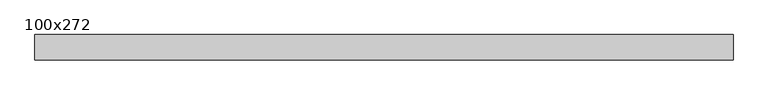
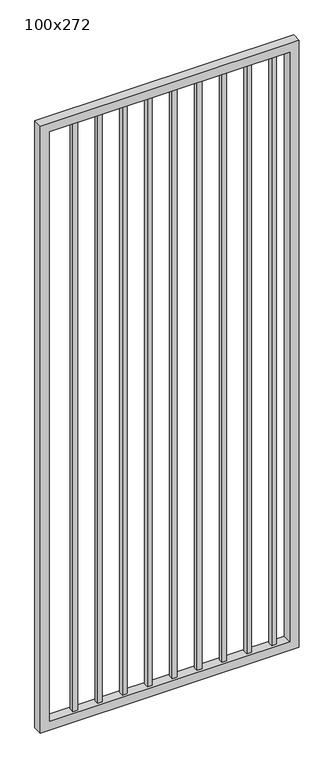
"""IFC4 building model written with IfcOpenShell, lengths in millimetres: proxy geometry, 100x272."""

import ifcopenshell
import ifcopenshell.guid

model = None  # the IFC model being written
_history = None  # IfcOwnerHistory: only IFC2X3 demands one
_inside = {}  # id of a spatial element -> (the spatial element, [elements in it])
_under = {}  # id of a project, library or spatial element -> (it, [spatial elements below it])
_declared = {}  # id of a project -> (the project, [libraries it declares])
_typed = {}  # id of a type object -> (the type object, [elements of that type])
_made_of = {}  # id of a material, layer set ... -> (it, [elements and type objects made of it])


def new_model(schema):
    """Start an empty IFC model of exactly this schema.

    Asked for "IFC4X3", IfcOpenShell would pick the latest addendum, in which some entities
    have other attributes; the version numbers below select the first issue.
    IFC2X3 requires an IfcOwnerHistory on every rooted entity: one is made here for all.
    """
    global model, _history
    if schema == "IFC4X3":
        model = ifcopenshell.file(schema_version=(4, 3, 0, 0))
    else:
        model = ifcopenshell.file(schema=schema)
    _inside.clear()
    _under.clear()
    _declared.clear()
    _typed.clear()
    _made_of.clear()
    _history = None
    if model.schema == "IFC2X3":
        org = make("IfcOrganization", Name="unknown")
        user = make(
            "IfcPersonAndOrganization",
            ThePerson=make("IfcPerson", FamilyName="unknown"),
            TheOrganization=org,
        )
        app = make(
            "IfcApplication",
            ApplicationDeveloper=org,
            Version="unknown",
            ApplicationFullName="unknown",
            ApplicationIdentifier="unknown",
        )
        _history = make(
            "IfcOwnerHistory",
            OwningUser=user,
            OwningApplication=app,
            ChangeAction="ADDED",
            CreationDate=0,
        )
    return model


def make(cls, **values):
    """One entity of the class cls with the attributes given. An attribute that is None is left unset."""
    return model.create_entity(
        cls, **{name: value for name, value in values.items() if value is not None}
    )


def rooted(cls, **values):
    """An entity with a GlobalId (a new one), such as an element, a storey or a relation."""
    return make(cls, GlobalId=ifcopenshell.guid.new(), OwnerHistory=_history, **values)


def si_unit(unit_type, name, prefix=None):
    """IfcSIUnit, for example si_unit("LENGTHUNIT", "METRE", prefix="MILLI")."""
    return make("IfcSIUnit", UnitType=unit_type, Prefix=prefix, Name=name)


def assignment(units):
    """IfcUnitAssignment: the units of a project."""
    return None if units is None else make("IfcUnitAssignment", Units=units)


def point(xyz):
    """IfcCartesianPoint."""
    return None if xyz is None else make("IfcCartesianPoint", Coordinates=xyz)


def direction(xyz):
    """IfcDirection."""
    return None if xyz is None else make("IfcDirection", DirectionRatios=xyz)


def frame(location, z_axis=None, x_axis=None):
    """IfcAxis2Placement3D, a coordinate frame: its origin and axes. An axis left out is left unset."""
    return make(
        "IfcAxis2Placement3D",
        Location=point(location),
        Axis=direction(z_axis),
        RefDirection=direction(x_axis),
    )


def origin():
    """The frame at (0, 0, 0) with its axes left unset."""
    return frame((0.0, 0.0, 0.0))


def place(relative_to, where):
    """IfcLocalPlacement: puts the frame where relative to a parent placement (None: the world)."""
    return make(
        "IfcLocalPlacement", PlacementRelTo=relative_to, RelativePlacement=where
    )


def context(
    kind, dimensions, precision=None, world=None, true_north=None, identifier=None
):
    """IfcGeometricRepresentationContext, for example the 3D "Model" context."""
    return make(
        "IfcGeometricRepresentationContext",
        ContextIdentifier=identifier,
        ContextType=kind,
        CoordinateSpaceDimension=dimensions,
        Precision=precision,
        WorldCoordinateSystem=world,
        TrueNorth=true_north,
    )


def project(units=None, contexts=None):
    """IfcProject with its units and contexts."""
    return rooted(
        "IfcProject",
        Name="project",
        RepresentationContexts=contexts,
        UnitsInContext=assignment(units),
    )


def spatial(cls, under=None, at=None, **own):
    """A site, building, storey or space (cls), placed at a placement, below another one or the project."""
    s = rooted(cls, ObjectPlacement=at, **own)
    if under is not None:
        _under.setdefault(under.id(), (under, []))[1].append(s)
    return s


def polyline(points):
    """IfcPolyline through the points."""
    return make("IfcPolyline", Points=[point(p) for p in points])


def outline(outer, holes=None, kind="AREA"):
    """IfcArbitraryClosedProfileDef: a profile drawn as a closed curve; with holes, ...WithVoids."""
    if holes is None:
        return make("IfcArbitraryClosedProfileDef", ProfileType=kind, OuterCurve=outer)
    return make(
        "IfcArbitraryProfileDefWithVoids",
        ProfileType=kind,
        OuterCurve=outer,
        InnerCurves=holes,
    )


def extrude(swept, where, along, depth):
    """IfcExtrudedAreaSolid: the profile swept, set in the frame where, extruded along a direction by depth."""
    return make(
        "IfcExtrudedAreaSolid",
        SweptArea=swept,
        Position=where,
        ExtrudedDirection=direction(along),
        Depth=depth,
    )


def shape(context_of_items, identifier, shape_type, items):
    """IfcShapeRepresentation: the items that make up one representation, for example the "Body"."""
    return make(
        "IfcShapeRepresentation",
        ContextOfItems=context_of_items,
        RepresentationIdentifier=identifier,
        RepresentationType=shape_type,
        Items=items,
    )


def source(mapping_origin, context_of_items, identifier, shape_type, items):
    """IfcRepresentationMap: a shape defined once, which mapped items show again and again."""
    return make(
        "IfcRepresentationMap",
        MappingOrigin=mapping_origin,
        MappedRepresentation=shape(context_of_items, identifier, shape_type, items),
    )


def transform(
    local_origin,
    x_axis=None,
    y_axis=None,
    z_axis=None,
    scale=None,
    scale2=None,
    scale3=None,
    uniform=True,
):
    """IfcCartesianTransformationOperator3D, or its non-uniform kind. x_axis, y_axis, z_axis: its Axis1, 2, 3."""
    if uniform:
        return make(
            "IfcCartesianTransformationOperator3D",
            Axis1=direction(x_axis),
            Axis2=direction(y_axis),
            LocalOrigin=point(local_origin),
            Scale=scale,
            Axis3=direction(z_axis),
        )
    return make(
        "IfcCartesianTransformationOperator3DnonUniform",
        Axis1=direction(x_axis),
        Axis2=direction(y_axis),
        LocalOrigin=point(local_origin),
        Scale=scale,
        Axis3=direction(z_axis),
        Scale2=scale2,
        Scale3=scale3,
    )


def mapped(mapping_source, mapping_target):
    """IfcMappedItem: shows the shape of a source again, moved by a transform."""
    return make(
        "IfcMappedItem", MappingSource=mapping_source, MappingTarget=mapping_target
    )


def made_of(thing, what):
    """Note that an element or type object is made of a material, layer set ...; save() writes the relation."""
    if what is not None:
        _made_of.setdefault(what.id(), (what, []))[1].append(thing)
    return thing


def element(
    cls,
    number,
    at=None,
    inside=None,
    cuts=None,
    type_object=None,
    material=None,
    context=None,
    identifier="Body",
    shape_type=None,
    held_by="IfcProductDefinitionShape",
    body=None,
    shapes=None,
    **own,
):
    """One element of the class cls, such as IfcWall. Its Tag is "e" and its number.

    at: its placement. inside: the storey or other place that contains it. cuts: it is an
    opening in that element (IfcRelVoidsElement). A single representation is given by context,
    identifier, shape_type and body (its items); several are given by shapes. held_by: the class
    of the entity that holds the representations. save() writes the other relations.
    """
    e = rooted(cls, Tag="e%d" % number, ObjectPlacement=at, **own)
    if body is not None:
        shapes = [shape(context, identifier, shape_type, body)]
    if shapes is not None:
        e.Representation = make(held_by, Representations=shapes)
    if inside is not None:
        _inside.setdefault(inside.id(), (inside, []))[1].append(e)
    if cuts is not None:
        rooted(
            "IfcRelVoidsElement", RelatingBuildingElement=cuts, RelatedOpeningElement=e
        )
    if type_object is not None:
        _typed.setdefault(type_object.id(), (type_object, []))[1].append(e)
    return made_of(e, material)


def aggregate(whole, parts):
    """IfcRelAggregates: a whole, such as a stair, and the parts it consists of."""
    return rooted("IfcRelAggregates", RelatingObject=whole, RelatedObjects=parts)


def save(model, path):
    """Write the relations noted so far, then the file.

    IfcRelAggregates (storeys below a building ...), IfcRelContainedInSpatialStructure (elements
    in a storey), IfcRelDefinesByType, IfcRelAssociatesMaterial and IfcRelDeclares: one each for
    every whole, place, type object, material and project.
    """
    for whole, parts in _under.values():
        aggregate(whole, parts)
    for where, things in _inside.values():
        rooted(
            "IfcRelContainedInSpatialStructure",
            RelatedElements=things,
            RelatingStructure=where,
        )
    for kind, things in _typed.values():
        rooted("IfcRelDefinesByType", RelatedObjects=things, RelatingType=kind)
    for what, things in _made_of.values():
        rooted("IfcRelAssociatesMaterial", RelatedObjects=things, RelatingMaterial=what)
    for by, libraries in _declared.values():
        rooted("IfcRelDeclares", RelatingContext=by, RelatedDefinitions=libraries)
    model.write(path)


def proxy_100x272_4a97fb02(model_context):
    return source(origin(), model_context, "Body", "SweptSolid", [
        extrude(outline(polyline([(1000.125, 9.525), (1000.125, -9.525), (981.075, -9.525), (981.075, 9.525), (1000.125, 9.525)])), frame((0.0, 0.0, 139.7), z_axis=(0.0, 0.0, 1.0), x_axis=(1.0, 0.0, 0.0)), (0.0, 0.0, 1.0), 2550.0),
        extrude(outline(polyline([(898.525, 9.525), (898.525, -9.525), (879.475, -9.525), (879.475, 9.525), (898.525, 9.525)])), frame((0.0, 0.0, 139.7), z_axis=(0.0, 0.0, 1.0), x_axis=(1.0, 0.0, 0.0)), (0.0, 0.0, 1.0), 2550.0),
        extrude(outline(polyline([(796.925, 9.525), (796.925, -9.525), (777.875, -9.525), (777.875, 9.525), (796.925, 9.525)])), frame((0.0, 0.0, 139.7), z_axis=(0.0, 0.0, 1.0), x_axis=(1.0, 0.0, 0.0)), (0.0, 0.0, 1.0), 2550.0),
        extrude(outline(polyline([(695.325, 9.525), (695.325, -9.525), (676.275, -9.525), (676.275, 9.525), (695.325, 9.525)])), frame((0.0, 0.0, 139.7), z_axis=(0.0, 0.0, 1.0), x_axis=(1.0, 0.0, 0.0)), (0.0, 0.0, 1.0), 2550.0),
        extrude(outline(polyline([(593.725, 9.525), (593.725, -9.525), (574.675, -9.525), (574.675, 9.525), (593.725, 9.525)])), frame((0.0, 0.0, 139.7), z_axis=(0.0, 0.0, 1.0), x_axis=(1.0, 0.0, 0.0)), (0.0, 0.0, 1.0), 2550.0),
        extrude(outline(polyline([(492.125, 9.525), (492.125, -9.525), (473.075, -9.525), (473.075, 9.525), (492.125, 9.525)])), frame((0.0, 0.0, 139.7), z_axis=(0.0, 0.0, 1.0), x_axis=(1.0, 0.0, 0.0)), (0.0, 0.0, 1.0), 2550.0),
        extrude(outline(polyline([(390.525, 9.525), (390.525, -9.525), (371.475, -9.525), (371.475, 9.525), (390.525, 9.525)])), frame((0.0, 0.0, 139.7), z_axis=(0.0, 0.0, 1.0), x_axis=(1.0, 0.0, 0.0)), (0.0, 0.0, 1.0), 2550.0),
        extrude(outline(polyline([(288.925, 9.525), (288.925, -9.525), (269.875, -9.525), (269.875, 9.525), (288.925, 9.525)])), frame((0.0, 0.0, 139.7), z_axis=(0.0, 0.0, 1.0), x_axis=(1.0, 0.0, 0.0)), (0.0, 0.0, 1.0), 2550.0),
        extrude(outline(polyline([(187.325, 9.525), (187.325, -9.525), (168.275, -9.525), (168.275, 9.525), (187.325, 9.525)])), frame((0.0, 0.0, 139.7), z_axis=(0.0, 0.0, 1.0), x_axis=(1.0, 0.0, 0.0)), (0.0, 0.0, 1.0), 2550.0),
        extrude(outline(polyline([(101.6, 1087.3), (2720.0, 1087.3), (2720.0, 30.0), (101.6, 30.0), (101.6, 1087.3)]), holes=[polyline([(2681.9, 1049.2), (139.7, 1049.2), (139.7, 68.1), (2681.9, 68.1), (2681.9, 1049.2)])]), frame((0.0, -19.05, 0.0), z_axis=(0.0, 1.0, 0.0), x_axis=(0.0, 0.0, 1.0)), (0.0, 0.0, 1.0), 38.1),
    ])


if __name__ == "__main__":
    model = new_model("IFC4")
    model_context = context("Model", 3, world=origin())
    ifc_project = project(units=[si_unit("LENGTHUNIT", "METRE", prefix="MILLI")], contexts=[model_context])
    site = spatial("IfcSite", under=ifc_project)
    building = spatial("IfcBuilding", under=site)
    placement = place(None, origin())
    proxy_100x272_shape = proxy_100x272_4a97fb02(model_context)
    element("IfcBuildingElementProxy", 1, Name="100x272", ObjectType="100x272", at=placement, inside=building, context=model_context, shape_type="MappedRepresentation", body=[
        mapped(proxy_100x272_shape, transform((0.0, 0.0, 0.0), x_axis=(1.0, 0.0, 0.0), y_axis=(0.0, 1.0, 0.0), z_axis=(0.0, 0.0, 1.0))),
    ])
    save(model, "model.ifc")
